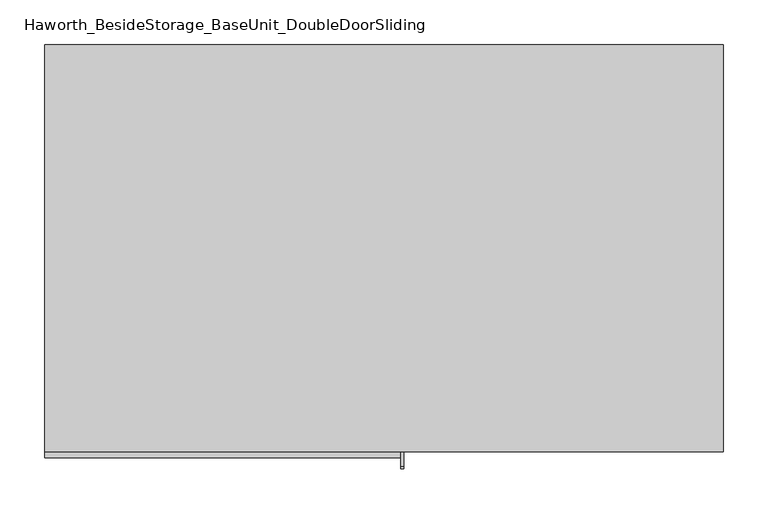
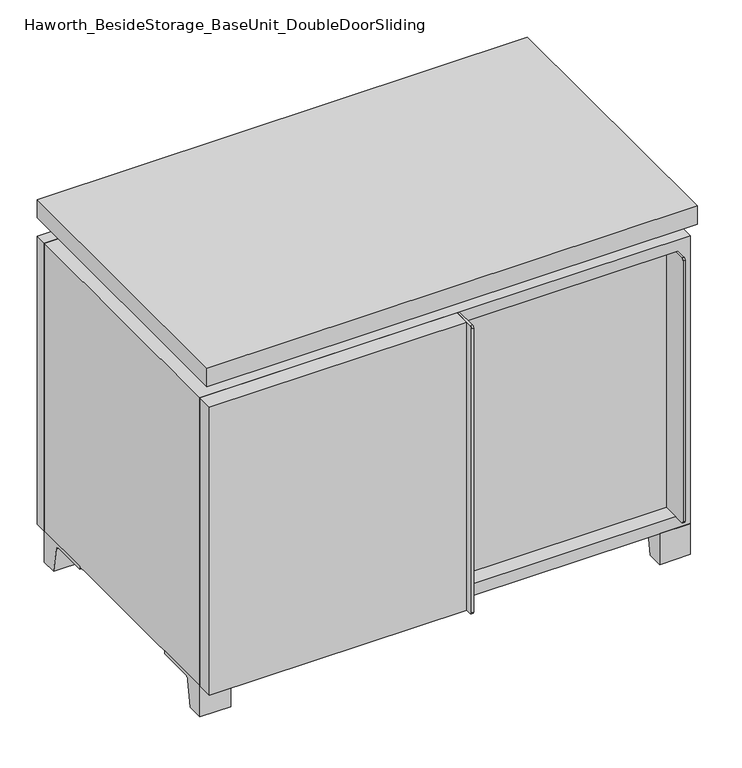
"""IFC4 building model written with IfcOpenShell, lengths in millimetres: furniture geometry, Haworth_BesideStorage_BaseUnit_DoubleDoorSliding."""

from ifc_helpers import new_model, si_unit, point, frame, frame_2d, origin, place, context, project, spatial, polyline, circle_curve, trimmed, segment, composite_curve, outline, extrude, faceted_brep, source, transform, mapped, element, save


def haworth_besidestorage_baseunit_doubledoorsliding_0bd00209(model_context):
    return source(origin(), model_context, "Body", "SolidModel", [
        extrude(outline(polyline([(9.5319453, 241.3), (361.9569453, 241.3), (361.9569453, -92.075), (9.5319453, -92.075), (9.5319453, 241.3)])), frame((0.0, 0.0, 277.8125), z_axis=(0.0, 0.0, 1.0), x_axis=(1.0, 0.0, 0.0)), (0.0, 0.0, 1.0), 19.05),
        extrude(outline(polyline([(-9.5041641, 241.3), (-9.5041641, -92.075), (-361.9291641, -92.075), (-361.9291641, 241.3), (-9.5041641, 241.3)])), frame((0.0, 0.0, 277.8125), z_axis=(0.0, 0.0, 1.0), x_axis=(1.0, 0.0, 0.0)), (0.0, 0.0, 1.0), 19.05),
        extrude(outline(composite_curve([segment(polyline([(-95.25, 504.825), (-95.25, 69.85), (-161.925, 69.85)]), True, "CONTINUOUS"), segment(trimmed(circle_curve(frame_2d((-161.925, 73.025)), 3.175), [point((-161.925, 69.85))], [point((-165.1, 73.025))], False, "CARTESIAN"), True, "CONTINUOUS"), segment(polyline([(-165.1, 73.025), (-165.1, 501.65)]), True, "CONTINUOUS"), segment(trimmed(circle_curve(frame_2d((-161.925, 501.65)), 3.175), [point((-165.1, 501.65))], [point((-161.925, 504.825))], False, "CARTESIAN"), True, "CONTINUOUS"), segment(polyline([(-161.925, 504.825), (-95.25, 504.825)]), True, "CONTINUOUS")], self_intersect=False)), frame((358.7819453, 0.0, 0.0), z_axis=(1.0, 0.0, 0.0), x_axis=(0.0, 1.0, 0.0)), (0.0, 0.0, 1.0), 3.175),
        extrude(outline(polyline([(15.8819453, -95.25), (358.7819453, -95.25), (358.7819453, -120.65), (15.8819453, -120.65), (15.8819453, -95.25)])), frame((0.0, 0.0, 69.85), z_axis=(0.0, 0.0, 1.0), x_axis=(1.0, 0.0, 0.0)), (0.0, 0.0, 1.0), 434.975),
        extrude(outline(polyline([(381.0138906, 292.1), (381.0138906, -165.1), (-380.9861094, -165.1), (-380.9861094, 292.1), (381.0138906, 292.1)])), frame((0.0, 0.0, 554.0375), z_axis=(0.0, 0.0, 1.0), x_axis=(1.0, 0.0, 0.0)), (0.0, 0.0, 1.0), 30.1625),
        extrude(outline(composite_curve([segment(polyline([(-146.05, 523.875), (-146.05, 50.8), (-180.975, 50.8)]), True, "CONTINUOUS"), segment(trimmed(circle_curve(frame_2d((-180.975, 53.975)), 3.175), [point((-180.975, 50.8))], [point((-184.15, 53.975))], False, "CARTESIAN"), True, "CONTINUOUS"), segment(polyline([(-184.15, 53.975), (-184.15, 520.7)]), True, "CONTINUOUS"), segment(trimmed(circle_curve(frame_2d((-180.975, 520.7)), 3.175), [point((-184.15, 520.7))], [point((-180.975, 523.875))], False, "CARTESIAN"), True, "CONTINUOUS"), segment(polyline([(-180.975, 523.875), (-146.05, 523.875)]), True, "CONTINUOUS")], self_intersect=False)), frame((19.0638906, 0.0, 0.0), z_axis=(1.0, 0.0, 0.0), x_axis=(0.0, 1.0, 0.0)), (0.0, 0.0, 1.0), 3.175),
        extrude(outline(polyline([(-380.9861094, -146.05), (19.0638906, -146.05), (19.0638906, -171.45), (-380.9861094, -171.45), (-380.9861094, -146.05)])), frame((0.0, 0.0, 50.8), z_axis=(0.0, 0.0, 1.0), x_axis=(1.0, 0.0, 0.0)), (0.0, 0.0, 1.0), 473.075),
        extrude(outline(composite_curve([segment(polyline([(-120.6500136, 0.0), (-146.05, 0.0), (-146.05, 50.8), (-50.8, 50.8), (-50.8, 46.0213321), (-107.6005345, 46.0213321)]), True, "CONTINUOUS"), segment(trimmed(circle_curve(frame_2d((-107.6005345, 39.6713321)), 6.35), [point((-107.6005345, 46.0213321))], [point((-113.8641359, 40.7152656))], True, "CARTESIAN"), True, "CONTINUOUS"), segment(polyline([(-113.8641359, 40.7152656), (-120.6500136, 0.0)]), True, "CONTINUOUS")], self_intersect=False)), frame((333.3888906, 0.0, 0.0), z_axis=(1.0, 0.0, 0.0), x_axis=(0.0, 1.0, 0.0)), (0.0, 0.0, 1.0), 47.625),
        extrude(outline(composite_curve([segment(polyline([(247.6500136, 0.0), (240.8641359, 40.7152656)]), True, "CONTINUOUS"), segment(trimmed(circle_curve(frame_2d((234.6005345, 39.6713321)), 6.35), [point((240.8641359, 40.7152656))], [point((234.6005345, 46.0213321))], True, "CARTESIAN"), True, "CONTINUOUS"), segment(polyline([(234.6005345, 46.0213321), (177.8, 46.0213321), (177.8, 50.8), (273.05, 50.8), (273.05, 0.0), (247.6500136, 0.0)]), True, "CONTINUOUS")], self_intersect=False)), frame((333.3888906, 0.0, 0.0), z_axis=(1.0, 0.0, 0.0), x_axis=(0.0, 1.0, 0.0)), (0.0, 0.0, 1.0), 47.625),
        extrude(outline(composite_curve([segment(polyline([(-120.6500136, 0.0), (-146.05, 0.0), (-146.05, 50.8), (-50.8, 50.8), (-50.8, 46.0213321), (-107.6005345, 46.0213321)]), True, "CONTINUOUS"), segment(trimmed(circle_curve(frame_2d((-107.6005345, 39.6713321)), 6.35), [point((-107.6005345, 46.0213321))], [point((-113.8641359, 40.7152656))], True, "CARTESIAN"), True, "CONTINUOUS"), segment(polyline([(-113.8641359, 40.7152656), (-120.6500136, 0.0)]), True, "CONTINUOUS")], self_intersect=False)), frame((-380.9861094, 0.0, 0.0), z_axis=(1.0, 0.0, 0.0), x_axis=(0.0, 1.0, 0.0)), (0.0, 0.0, 1.0), 47.625),
        extrude(outline(composite_curve([segment(polyline([(247.6500136, 0.0), (240.8641359, 40.7152656)]), True, "CONTINUOUS"), segment(trimmed(circle_curve(frame_2d((234.6005345, 39.6713321)), 6.35), [point((240.8641359, 40.7152656))], [point((234.6005345, 46.0213321))], True, "CARTESIAN"), True, "CONTINUOUS"), segment(polyline([(234.6005345, 46.0213321), (177.8, 46.0213321), (177.8, 50.8), (273.05, 50.8), (273.05, 0.0), (247.6500136, 0.0)]), True, "CONTINUOUS")], self_intersect=False)), frame((-380.9861094, 0.0, 0.0), z_axis=(1.0, 0.0, 0.0), x_axis=(0.0, 1.0, 0.0)), (0.0, 0.0, 1.0), 47.625),
        faceted_brep([(7.9513906, -120.65, 554.0375), (7.9513906, -120.65, 523.875), (7.9513906, 53.975, 523.875), (7.9513906, 53.975, 554.0375), (7.9513906, 247.65, 523.875), (7.9513906, 247.65, 554.0375), (7.9513906, 73.025, 554.0375), (7.9513906, 73.025, 523.875), (-7.9236094, 247.65, 554.0375), (-7.9236094, 247.65, 523.875), (-7.9236094, 73.025, 523.875), (-7.9236094, 73.025, 554.0375), (-7.9236094, -120.65, 523.875), (-7.9236094, -120.65, 554.0375), (-7.9236094, 53.975, 554.0375), (-7.9236094, 53.975, 523.875), (-339.6833281, 73.025, 554.0375), (-339.7041641, 247.65, 554.0375), (-355.5791641, 247.65, 554.0375), (-355.5791641, -120.65, 554.0375), (-339.7041641, -120.65, 554.0375), (-339.7041641, 53.975, 554.0375), (339.7111094, 53.975, 554.0375), (339.7111094, -120.65, 554.0375), (355.5861094, -120.65, 554.0375), (355.5861094, 247.65, 554.0375), (339.7111094, 247.65, 554.0375), (339.7111094, 73.025, 554.0375), (-339.6833281, 53.975, 523.875), (-339.7041641, -120.65, 523.875), (-355.5791641, -120.65, 523.875), (-355.5791641, 247.65, 523.875), (-339.7041641, 247.65, 523.875), (-339.7041641, 73.025, 523.875), (339.7111094, 73.025, 523.875), (339.7111094, 247.65, 523.875), (355.5861094, 247.65, 523.875), (355.5861094, -120.65, 523.875), (339.7111094, -120.65, 523.875), (339.7111094, 53.975, 523.875)], [[[0, 1, 2, 3]], [[4, 5, 6, 7]], [[8, 9, 10, 11]], [[12, 13, 14, 15]], [[5, 8, 11, 16, 17, 18, 19, 20, 21, 14, 13, 0, 3, 22, 23, 24, 25, 26, 27, 6]], [[1, 12, 15, 28, 29, 30, 31, 32, 33, 10, 9, 4, 7, 34, 35, 36, 37, 38, 39, 2]], [[5, 4, 9, 8]], [[1, 0, 13, 12]], [[6, 27, 34, 7]], [[22, 3, 2, 39]], [[20, 29, 28, 21]], [[32, 17, 16, 33]], [[18, 31, 30, 19]], [[29, 20, 19, 30]], [[17, 32, 31, 18]], [[26, 35, 34, 27]], [[38, 23, 22, 39]], [[25, 24, 37, 36]], [[23, 38, 37, 24]], [[35, 26, 25, 36]], [[16, 11, 10, 33]], [[14, 21, 28, 15]]]),
        extrude(outline(polyline([(9.5388906, 241.3), (9.5388906, -95.25), (-9.5111094, -95.25), (-9.5111094, 241.3), (9.5388906, 241.3)])), frame((0.0, 0.0, 69.85), z_axis=(0.0, 0.0, 1.0), x_axis=(1.0, 0.0, 0.0)), (0.0, 0.0, 1.0), 434.975),
        extrude(outline(polyline([(15.8888906, -88.9), (15.8888906, -146.05), (-9.5111094, -146.05), (-9.5111094, -120.65), (3.1888906, -120.65), (3.1888906, -88.9), (15.8888906, -88.9)])), frame((0.0, 0.0, 69.85), z_axis=(0.0, 0.0, 1.0), x_axis=(1.0, 0.0, 0.0)), (0.0, 0.0, 1.0), 434.975),
        extrude(outline(polyline([(381.0138906, 273.05), (-380.9861094, 273.05), (-380.9861094, 292.1), (381.0138906, 292.1), (381.0138906, 273.05)])), frame((0.0, 0.0, 50.8), z_axis=(0.0, 0.0, 1.0), x_axis=(1.0, 0.0, 0.0)), (0.0, 0.0, 1.0), 473.075),
        extrude(outline(polyline([(50.8, -380.9861094), (50.8, 381.0), (523.875, 381.0), (523.875, -380.9861094), (50.8, -380.9861094)]), holes=[polyline([(69.85, -361.9361094), (504.825, -361.9361094), (504.825, 361.9361094), (69.85, 361.9361094), (69.85, -361.9361094)])]), frame((0.0, -146.05, 0.0), z_axis=(0.0, 1.0, 0.0), x_axis=(0.0, 0.0, 1.0)), (0.0, 0.0, 1.0), 419.1),
        extrude(outline(polyline([(-361.9291641, 241.3), (-361.9291641, 247.65), (361.9569453, 247.65), (361.9569453, 241.3), (-361.9291641, 241.3)])), frame((0.0, 0.0, 69.85), z_axis=(0.0, 0.0, 1.0), x_axis=(1.0, 0.0, 0.0)), (0.0, 0.0, 1.0), 434.975),
    ])


if __name__ == "__main__":
    model = new_model("IFC4")
    model_context = context("Model", 3, world=origin())
    ifc_project = project(units=[si_unit("LENGTHUNIT", "METRE", prefix="MILLI")], contexts=[model_context])
    site = spatial("IfcSite", under=ifc_project)
    building = spatial("IfcBuilding", under=site)
    placement = place(None, origin())
    haworth_besidestorage_baseunit_doubledoorsliding_shape = haworth_besidestorage_baseunit_doubledoorsliding_0bd00209(model_context)
    element("IfcFurniture", 1, ObjectType="Haworth_BesideStorage_BaseUnit_DoubleDoorSliding", at=placement, inside=building, context=model_context, shape_type="MappedRepresentation", body=[
        mapped(haworth_besidestorage_baseunit_doubledoorsliding_shape, transform((0.0, 0.0, 0.0), x_axis=(1.0, 0.0, 0.0), y_axis=(0.0, 1.0, 0.0), z_axis=(0.0, 0.0, 1.0))),
    ])
    save(model, "model.ifc")
